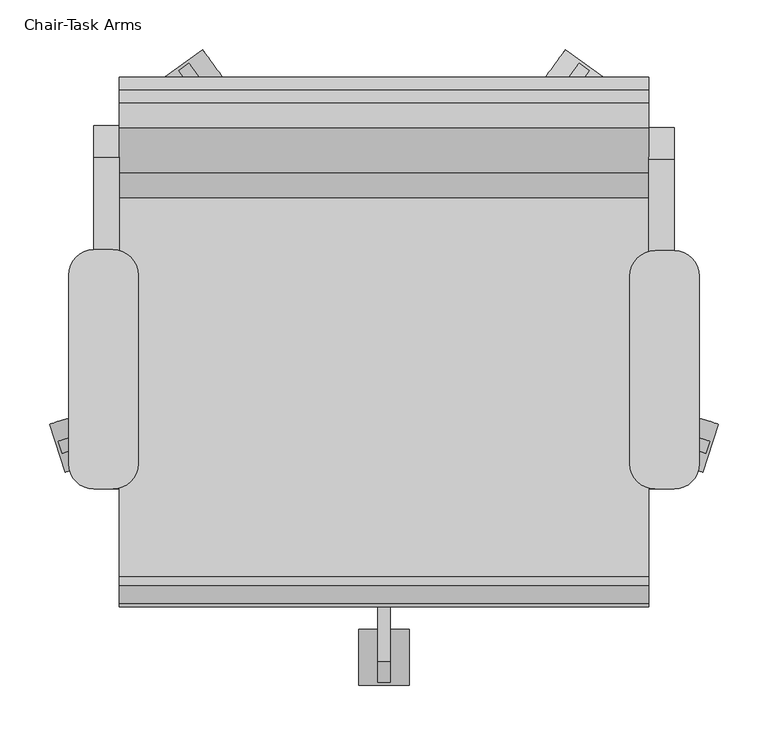
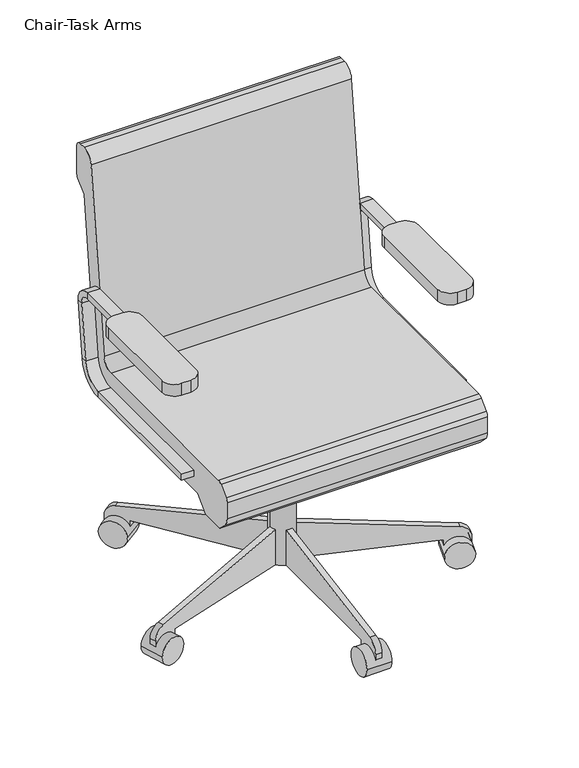
"""IFC4 building model written with IfcOpenShell, lengths in millimetres: furniture geometry, Chair-Task Arms."""

import ifcopenshell
import ifcopenshell.guid

model = None  # the IFC model being written
_history = None  # IfcOwnerHistory: only IFC2X3 demands one
_inside = {}  # id of a spatial element -> (the spatial element, [elements in it])
_under = {}  # id of a project, library or spatial element -> (it, [spatial elements below it])
_declared = {}  # id of a project -> (the project, [libraries it declares])
_typed = {}  # id of a type object -> (the type object, [elements of that type])
_made_of = {}  # id of a material, layer set ... -> (it, [elements and type objects made of it])


def new_model(schema):
    """Start an empty IFC model of exactly this schema.

    Asked for "IFC4X3", IfcOpenShell would pick the latest addendum, in which some entities
    have other attributes; the version numbers below select the first issue.
    IFC2X3 requires an IfcOwnerHistory on every rooted entity: one is made here for all.
    """
    global model, _history
    if schema == "IFC4X3":
        model = ifcopenshell.file(schema_version=(4, 3, 0, 0))
    else:
        model = ifcopenshell.file(schema=schema)
    _inside.clear()
    _under.clear()
    _declared.clear()
    _typed.clear()
    _made_of.clear()
    _history = None
    if model.schema == "IFC2X3":
        org = make("IfcOrganization", Name="unknown")
        user = make(
            "IfcPersonAndOrganization",
            ThePerson=make("IfcPerson", FamilyName="unknown"),
            TheOrganization=org,
        )
        app = make(
            "IfcApplication",
            ApplicationDeveloper=org,
            Version="unknown",
            ApplicationFullName="unknown",
            ApplicationIdentifier="unknown",
        )
        _history = make(
            "IfcOwnerHistory",
            OwningUser=user,
            OwningApplication=app,
            ChangeAction="ADDED",
            CreationDate=0,
        )
    return model


def make(cls, **values):
    """One entity of the class cls with the attributes given. An attribute that is None is left unset."""
    return model.create_entity(
        cls, **{name: value for name, value in values.items() if value is not None}
    )


def rooted(cls, **values):
    """An entity with a GlobalId (a new one), such as an element, a storey or a relation."""
    return make(cls, GlobalId=ifcopenshell.guid.new(), OwnerHistory=_history, **values)


def si_unit(unit_type, name, prefix=None):
    """IfcSIUnit, for example si_unit("LENGTHUNIT", "METRE", prefix="MILLI")."""
    return make("IfcSIUnit", UnitType=unit_type, Prefix=prefix, Name=name)


def assignment(units):
    """IfcUnitAssignment: the units of a project."""
    return None if units is None else make("IfcUnitAssignment", Units=units)


def point(xyz):
    """IfcCartesianPoint."""
    return None if xyz is None else make("IfcCartesianPoint", Coordinates=xyz)


def direction(xyz):
    """IfcDirection."""
    return None if xyz is None else make("IfcDirection", DirectionRatios=xyz)


def frame(location, z_axis=None, x_axis=None):
    """IfcAxis2Placement3D, a coordinate frame: its origin and axes. An axis left out is left unset."""
    return make(
        "IfcAxis2Placement3D",
        Location=point(location),
        Axis=direction(z_axis),
        RefDirection=direction(x_axis),
    )


def frame_2d(location, x_axis=None):
    """IfcAxis2Placement2D, a coordinate frame in the plane: its origin and x axis."""
    return make(
        "IfcAxis2Placement2D", Location=point(location), RefDirection=direction(x_axis)
    )


def origin():
    """The frame at (0, 0, 0) with its axes left unset."""
    return frame((0.0, 0.0, 0.0))


def place(relative_to, where):
    """IfcLocalPlacement: puts the frame where relative to a parent placement (None: the world)."""
    return make(
        "IfcLocalPlacement", PlacementRelTo=relative_to, RelativePlacement=where
    )


def context(
    kind, dimensions, precision=None, world=None, true_north=None, identifier=None
):
    """IfcGeometricRepresentationContext, for example the 3D "Model" context."""
    return make(
        "IfcGeometricRepresentationContext",
        ContextIdentifier=identifier,
        ContextType=kind,
        CoordinateSpaceDimension=dimensions,
        Precision=precision,
        WorldCoordinateSystem=world,
        TrueNorth=true_north,
    )


def project(units=None, contexts=None):
    """IfcProject with its units and contexts."""
    return rooted(
        "IfcProject",
        Name="project",
        RepresentationContexts=contexts,
        UnitsInContext=assignment(units),
    )


def spatial(cls, under=None, at=None, **own):
    """A site, building, storey or space (cls), placed at a placement, below another one or the project."""
    s = rooted(cls, ObjectPlacement=at, **own)
    if under is not None:
        _under.setdefault(under.id(), (under, []))[1].append(s)
    return s


def polyline(points):
    """IfcPolyline through the points."""
    return make("IfcPolyline", Points=[point(p) for p in points])


def circle_curve(where, radius):
    """IfcCircle in the frame where."""
    return make("IfcCircle", Position=where, Radius=radius)


def trimmed(basis, trim1, trim2, sense, master):
    """IfcTrimmedCurve: the piece of a basis curve between two trims."""
    return make(
        "IfcTrimmedCurve",
        BasisCurve=basis,
        Trim1=trim1,
        Trim2=trim2,
        SenseAgreement=sense,
        MasterRepresentation=master,
    )


def segment(curve, same_sense, transition):
    """IfcCompositeCurveSegment."""
    return make(
        "IfcCompositeCurveSegment",
        Transition=transition,
        SameSense=same_sense,
        ParentCurve=curve,
    )


def composite_curve(segments, self_intersect=None):
    """IfcCompositeCurve: segments joined end to end."""
    return make("IfcCompositeCurve", Segments=segments, SelfIntersect=self_intersect)


def outline(outer, holes=None, kind="AREA"):
    """IfcArbitraryClosedProfileDef: a profile drawn as a closed curve; with holes, ...WithVoids."""
    if holes is None:
        return make("IfcArbitraryClosedProfileDef", ProfileType=kind, OuterCurve=outer)
    return make(
        "IfcArbitraryProfileDefWithVoids",
        ProfileType=kind,
        OuterCurve=outer,
        InnerCurves=holes,
    )


def extrude(swept, where, along, depth):
    """IfcExtrudedAreaSolid: the profile swept, set in the frame where, extruded along a direction by depth."""
    return make(
        "IfcExtrudedAreaSolid",
        SweptArea=swept,
        Position=where,
        ExtrudedDirection=direction(along),
        Depth=depth,
    )


def shape(context_of_items, identifier, shape_type, items):
    """IfcShapeRepresentation: the items that make up one representation, for example the "Body"."""
    return make(
        "IfcShapeRepresentation",
        ContextOfItems=context_of_items,
        RepresentationIdentifier=identifier,
        RepresentationType=shape_type,
        Items=items,
    )


def source(mapping_origin, context_of_items, identifier, shape_type, items):
    """IfcRepresentationMap: a shape defined once, which mapped items show again and again."""
    return make(
        "IfcRepresentationMap",
        MappingOrigin=mapping_origin,
        MappedRepresentation=shape(context_of_items, identifier, shape_type, items),
    )


def transform(
    local_origin,
    x_axis=None,
    y_axis=None,
    z_axis=None,
    scale=None,
    scale2=None,
    scale3=None,
    uniform=True,
):
    """IfcCartesianTransformationOperator3D, or its non-uniform kind. x_axis, y_axis, z_axis: its Axis1, 2, 3."""
    if uniform:
        return make(
            "IfcCartesianTransformationOperator3D",
            Axis1=direction(x_axis),
            Axis2=direction(y_axis),
            LocalOrigin=point(local_origin),
            Scale=scale,
            Axis3=direction(z_axis),
        )
    return make(
        "IfcCartesianTransformationOperator3DnonUniform",
        Axis1=direction(x_axis),
        Axis2=direction(y_axis),
        LocalOrigin=point(local_origin),
        Scale=scale,
        Axis3=direction(z_axis),
        Scale2=scale2,
        Scale3=scale3,
    )


def mapped(mapping_source, mapping_target):
    """IfcMappedItem: shows the shape of a source again, moved by a transform."""
    return make(
        "IfcMappedItem", MappingSource=mapping_source, MappingTarget=mapping_target
    )


def made_of(thing, what):
    """Note that an element or type object is made of a material, layer set ...; save() writes the relation."""
    if what is not None:
        _made_of.setdefault(what.id(), (what, []))[1].append(thing)
    return thing


def element(
    cls,
    number,
    at=None,
    inside=None,
    cuts=None,
    type_object=None,
    material=None,
    context=None,
    identifier="Body",
    shape_type=None,
    held_by="IfcProductDefinitionShape",
    body=None,
    shapes=None,
    **own,
):
    """One element of the class cls, such as IfcWall. Its Tag is "e" and its number.

    at: its placement. inside: the storey or other place that contains it. cuts: it is an
    opening in that element (IfcRelVoidsElement). A single representation is given by context,
    identifier, shape_type and body (its items); several are given by shapes. held_by: the class
    of the entity that holds the representations. save() writes the other relations.
    """
    e = rooted(cls, Tag="e%d" % number, ObjectPlacement=at, **own)
    if body is not None:
        shapes = [shape(context, identifier, shape_type, body)]
    if shapes is not None:
        e.Representation = make(held_by, Representations=shapes)
    if inside is not None:
        _inside.setdefault(inside.id(), (inside, []))[1].append(e)
    if cuts is not None:
        rooted(
            "IfcRelVoidsElement", RelatingBuildingElement=cuts, RelatedOpeningElement=e
        )
    if type_object is not None:
        _typed.setdefault(type_object.id(), (type_object, []))[1].append(e)
    return made_of(e, material)


def aggregate(whole, parts):
    """IfcRelAggregates: a whole, such as a stair, and the parts it consists of."""
    return rooted("IfcRelAggregates", RelatingObject=whole, RelatedObjects=parts)


def save(model, path):
    """Write the relations noted so far, then the file.

    IfcRelAggregates (storeys below a building ...), IfcRelContainedInSpatialStructure (elements
    in a storey), IfcRelDefinesByType, IfcRelAssociatesMaterial and IfcRelDeclares: one each for
    every whole, place, type object, material and project.
    """
    for whole, parts in _under.values():
        aggregate(whole, parts)
    for where, things in _inside.values():
        rooted(
            "IfcRelContainedInSpatialStructure",
            RelatedElements=things,
            RelatingStructure=where,
        )
    for kind, things in _typed.values():
        rooted("IfcRelDefinesByType", RelatedObjects=things, RelatingType=kind)
    for what, things in _made_of.values():
        rooted("IfcRelAssociatesMaterial", RelatedObjects=things, RelatingMaterial=what)
    for by, libraries in _declared.values():
        rooted("IfcRelDeclares", RelatingContext=by, RelatedDefinitions=libraries)
    model.write(path)


def plane_surface(at):
    """IfcPlane: the flat surface through the origin of the frame at, square to its z axis."""
    return make("IfcPlane", Position=at)


def cylinder_surface(at, radius):
    """IfcCylindricalSurface: all points at the distance radius from the z axis of the frame at."""
    return make("IfcCylindricalSurface", Position=at, Radius=radius)


def revolved_surface(curve, axis_point, axis_direction):
    """IfcSurfaceOfRevolution: the curve turned about the line through axis_point along axis_direction."""
    return make(
        "IfcSurfaceOfRevolution",
        SweptCurve=make("IfcArbitraryOpenProfileDef", ProfileType="CURVE", Curve=curve),
        AxisPosition=make("IfcAxis1Placement", Location=point(axis_point), Axis=direction(axis_direction)),
    )


def advanced_brep(points, edges, surfaces, faces):
    """IfcAdvancedBrep: a solid bounded by faces that lie on surfaces and meet in shared edges.

    An edge is (start, end): straight between two places in points (the first is 0);
    or (start, end, curve); or (start, end, curve, False) where it runs against its curve.
    A face is (place in surfaces, loops), or (place, loops, False) where it looks against
    its surface's normal. A loop lists edges by number (the first is 1), with a minus sign
    where the edge is run from its end to its start. The first loop is the outer one.
    """
    corners = [point(p) for p in points]
    vertices = [make("IfcVertexPoint", VertexGeometry=c) for c in corners]
    made = []
    for start, end, *more in edges:
        made.append(
            make(
                "IfcEdgeCurve",
                EdgeStart=vertices[start],
                EdgeEnd=vertices[end],
                EdgeGeometry=more[0] if more else make("IfcPolyline", Points=[corners[start], corners[end]]),
                SameSense=more[1] if len(more) > 1 else True,
            )
        )
    hull = []
    for where, loops, *sense in faces:
        bounds = []
        for j, loop in enumerate(loops):
            ring = [make("IfcOrientedEdge", EdgeElement=made[abs(k) - 1], Orientation=k > 0) for k in loop]
            bounds.append(
                make(
                    "IfcFaceOuterBound" if j == 0 else "IfcFaceBound",
                    Bound=make("IfcEdgeLoop", EdgeList=ring),
                    Orientation=True,
                )
            )
        hull.append(make("IfcAdvancedFace", Bounds=bounds, FaceSurface=surfaces[where], SameSense=sense[0] if sense else True))
    return make("IfcAdvancedBrep", Outer=make("IfcClosedShell", CfsFaces=hull))


def chair_task_arms_7ff2a73e(model_context):
    return source(origin(), model_context, "Body", "SolidModel", [
        extrude(outline(composite_curve([segment(polyline([(-151.1091803, 112.0946081), (-132.0591803, 112.0946081)]), True, "CONTINUOUS"), segment(trimmed(circle_curve(frame_2d((-132.0591803, 86.6946081)), 25.4), [point((-132.0591803, 112.0946081))], [point((-106.6591803, 86.6946081))], False, "CARTESIAN"), True, "CONTINUOUS"), segment(polyline([(-106.6591803, 86.6946081), (-106.6591803, -103.7401058)]), True, "CONTINUOUS"), segment(trimmed(circle_curve(frame_2d((-132.0591803, -103.7401058)), 25.4), [point((-106.6591803, -103.7401058))], [point((-132.0591803, -129.1401058))], False, "CARTESIAN"), True, "CONTINUOUS"), segment(polyline([(-132.0591803, -129.1401058), (-151.1091803, -129.1401058)]), True, "CONTINUOUS"), segment(trimmed(circle_curve(frame_2d((-151.1091803, -103.7401058)), 25.4), [point((-151.1091803, -129.1401058))], [point((-176.5091803, -103.7401058))], False, "CARTESIAN"), True, "CONTINUOUS"), segment(polyline([(-176.5091803, -103.7401058), (-176.5091803, 86.6946081)]), True, "CONTINUOUS"), segment(trimmed(circle_curve(frame_2d((-151.1091803, 86.6946081)), 25.4), [point((-176.5091803, 86.6946081))], [point((-151.1091803, 112.0946081))], False, "CARTESIAN"), True, "CONTINUOUS")], self_intersect=False)), frame((0.0, 0.0, 596.9), z_axis=(0.0, 0.0, 1.0), x_axis=(1.0, 0.0, 0.0)), (0.0, 0.0, 1.0), 25.4),
        extrude(outline(composite_curve([segment(polyline([(414.0408197, 111.0494016), (433.0908197, 111.0494016)]), True, "CONTINUOUS"), segment(trimmed(circle_curve(frame_2d((433.0908197, 85.6494016)), 25.4), [point((433.0908197, 111.0494016))], [point((458.4908197, 85.6494016))], False, "CARTESIAN"), True, "CONTINUOUS"), segment(polyline([(458.4908197, 85.6494016), (458.4908197, -103.7401058)]), True, "CONTINUOUS"), segment(trimmed(circle_curve(frame_2d((433.0908197, -103.7401058)), 25.4), [point((458.4908197, -103.7401058))], [point((433.0908197, -129.1401058))], False, "CARTESIAN"), True, "CONTINUOUS"), segment(polyline([(433.0908197, -129.1401058), (414.0408197, -129.1401058)]), True, "CONTINUOUS"), segment(trimmed(circle_curve(frame_2d((414.0408197, -103.7401058)), 25.4), [point((414.0408197, -129.1401058))], [point((388.6408197, -103.7401058))], False, "CARTESIAN"), True, "CONTINUOUS"), segment(polyline([(388.6408197, -103.7401058), (388.6408197, 85.6494016)]), True, "CONTINUOUS"), segment(trimmed(circle_curve(frame_2d((414.0408197, 85.6494016)), 25.4), [point((388.6408197, 85.6494016))], [point((414.0408197, 111.0494016))], False, "CARTESIAN"), True, "CONTINUOUS")], self_intersect=False)), frame((0.0, 0.0, 596.9), z_axis=(0.0, 0.0, 1.0), x_axis=(1.0, 0.0, 0.0)), (0.0, 0.0, 1.0), 25.4),
        advanced_brep(
        [(433.0908197, -129.1401058, 412.75), (433.0908197, -129.1401058, 425.45), (407.6908197, -129.1401058, 425.45), (407.6908197, -129.1401058, 412.75), (433.0908197, 164.1306683, 412.75), (433.0908197, 164.1306683, 425.45), (407.6908197, 164.1306683, 425.45), (407.6908197, 164.1306683, 412.75), (433.0908197, 208.2762127, 464.7064065), (433.0908197, 220.8892254, 463.2225227), (407.6908197, 208.2762127, 464.7064065), (407.6908197, 220.8892254, 463.2225227), (433.0908197, 234.6854333, 580.4902904), (433.0908197, 222.0724207, 581.9741742), (407.6908197, 222.0724207, 581.9741742), (407.6908197, 234.6854333, 580.4902904), (433.0908197, 203.1529016, 603.25), (433.0908197, 203.1529016, 615.95), (407.6908197, 203.1529016, 603.25), (407.6908197, 203.1529016, 615.95), (433.0908197, 18.9459016, 615.95), (407.6908197, 18.9459016, 615.95), (407.6908197, 18.9459016, 603.25), (433.0908197, 18.9459016, 603.25)],
        [
            (0, 1),
            (1, 2),
            (2, 3),
            (3, 0),
            (0, 4),
            (4, 5),
            (5, 1),
            (5, 6),
            (6, 2),
            (6, 7),
            (7, 3),
            (7, 4),
            (8, 5, circle_curve(frame((433.0908197, 164.1306683, 469.9), z_axis=(-1.0, 0.0, 0.0), x_axis=(0.0, 0.0, -1.0)), 44.45)),
            (4, 9, circle_curve(frame((433.0908197, 164.1306683, 469.9), z_axis=(1.0, 0.0, 0.0), x_axis=(0.0, 0.0, -1.0)), 57.15)),
            (9, 8),
            (10, 6, circle_curve(frame((407.6908197, 164.1306683, 469.9), z_axis=(-1.0, 0.0, 0.0), x_axis=(0.0, 0.0, -1.0)), 44.45)),
            (8, 10),
            (11, 7, circle_curve(frame((407.6908197, 164.1306683, 469.9), z_axis=(-1.0, 0.0, 0.0), x_axis=(0.0, 0.0, -1.0)), 57.15)),
            (10, 11),
            (11, 9),
            (9, 12),
            (12, 13),
            (13, 8),
            (13, 14),
            (14, 10),
            (14, 15),
            (15, 11),
            (15, 12),
            (16, 13, circle_curve(frame((433.0908197, 203.1529016, 584.2), z_axis=(-1.0, 0.0, 0.0), x_axis=(0.0, 0.9931506043228768, -0.11684124756739202)), 19.05)),
            (12, 17, circle_curve(frame((433.0908197, 203.1529016, 584.2), z_axis=(1.0, 0.0, 0.0), x_axis=(0.0, 0.9931506043228768, -0.11684124756739202)), 31.75)),
            (17, 16),
            (18, 14, circle_curve(frame((407.6908197, 203.1529016, 584.2), z_axis=(-1.0, 0.0, 0.0), x_axis=(0.0, 0.9931506043228768, -0.11684124756739202)), 19.05)),
            (16, 18),
            (19, 15, circle_curve(frame((407.6908197, 203.1529016, 584.2), z_axis=(-1.0, 0.0, 0.0), x_axis=(0.0, 0.9931506043228768, -0.11684124756739202)), 31.75)),
            (18, 19),
            (19, 17),
            (20, 21),
            (21, 22),
            (22, 23),
            (23, 20),
            (17, 20),
            (23, 16),
            (22, 18),
            (21, 19),
        ],
        [
            plane_surface(frame((406.191788, -129.1401058, 419.1), z_axis=(0.0, -1.0, 0.0), x_axis=(0.0, 0.0, 1.0))),
            plane_surface(frame((433.0908197, -129.1401058, 412.75), z_axis=(1.0, 0.0, 0.0), x_axis=(0.0, 1.0, 0.0))),
            plane_surface(frame((433.0908197, -129.1401058, 425.45), z_axis=(0.0, 0.0, 1.0), x_axis=(0.0, 1.0, 0.0))),
            plane_surface(frame((407.6908197, -129.1401058, 425.45), z_axis=(-1.0, 0.0, 0.0), x_axis=(0.0, 1.0, 0.0))),
            plane_surface(frame((407.6908197, -129.1401058, 412.75), z_axis=(0.0, 0.0, -1.0), x_axis=(0.0, 1.0, 0.0))),
            plane_surface(frame((433.0908197, 164.1306683, 469.9), z_axis=(1.0, 0.0, 0.0), x_axis=(0.0, 0.0, -1.0))),
            revolved_surface(polyline([(433.0908197, 164.1306683, 425.45), (407.6908197, 164.1306683, 425.45)]), (420.3908197, 164.1306683, 469.9), (1.0, 0.0, 0.0)),
            plane_surface(frame((407.6908197, 164.1306683, 469.9), z_axis=(-1.0, 0.0, 0.0), x_axis=(0.0, 0.0, -1.0))),
            cylinder_surface(frame((420.3908197, 164.1306683, 469.9), z_axis=(1.0, 0.0, 0.0), x_axis=(0.0, 0.0, -1.0)), 57.15),
            plane_surface(frame((433.0908197, 220.8892254, 463.2225227), z_axis=(1.0, 0.0, 0.0), x_axis=(0.0, 0.1168412475673856, 0.9931506043228776))),
            plane_surface(frame((433.0908197, 208.2762127, 464.7064065), z_axis=(0.0, -0.9931506043228776, 0.1168412475673856), x_axis=(0.0, 0.1168412475673856, 0.9931506043228776))),
            plane_surface(frame((407.6908197, 208.2762127, 464.7064065), z_axis=(-1.0, 0.0, 0.0), x_axis=(0.0, 0.1168412475673856, 0.9931506043228776))),
            plane_surface(frame((407.6908197, 220.8892254, 463.2225227), z_axis=(0.0, 0.9931506043228776, -0.1168412475673856), x_axis=(0.0, 0.1168412475673856, 0.9931506043228776))),
            plane_surface(frame((433.0908197, 203.1529016, 584.2), z_axis=(1.0, 0.0, 0.0), x_axis=(0.0, 0.9931506043228768, -0.11684124756739202))),
            revolved_surface(polyline([(433.0908197, 222.0724206123508, 581.9741742338413), (407.6908197, 222.0724206123508, 581.9741742338413)]), (420.3908197, 203.1529016, 584.2), (1.0, 0.0, 0.0)),
            plane_surface(frame((407.6908197, 203.1529016, 584.2), z_axis=(-1.0, 0.0, 0.0), x_axis=(0.0, 0.9931506043228768, -0.11684124756739202))),
            cylinder_surface(frame((420.3908197, 203.1529016, 584.2), z_axis=(1.0, 0.0, 0.0), x_axis=(0.0, 0.9931506043228768, -0.11684124756739202)), 31.75),
            plane_surface(frame((406.191788, 18.9459016, 609.6), z_axis=(0.0, -1.0, 0.0), x_axis=(0.0, 0.0, -1.0))),
            plane_surface(frame((433.0908197, 203.1529016, 615.95), z_axis=(1.0, 0.0, 0.0), x_axis=(0.0, -1.0, 0.0))),
            plane_surface(frame((433.0908197, 203.1529016, 603.25), z_axis=(0.0, 0.0, -1.0), x_axis=(0.0, -1.0, 0.0))),
            plane_surface(frame((407.6908197, 203.1529016, 603.25), z_axis=(-1.0, 0.0, 0.0), x_axis=(0.0, -1.0, 0.0))),
            plane_surface(frame((407.6908197, 203.1529016, 615.95), z_axis=(0.0, 0.0, 1.0), x_axis=(0.0, -1.0, 0.0))),
        ],
        [
            (0, [[1, 2, 3, 4]]),
            (1, [[-1, 5, 6, 7]]),
            (2, [[-2, -7, 8, 9]]),
            (3, [[-3, -9, 10, 11]]),
            (4, [[-4, -11, 12, -5]]),
            (5, [[13, -6, 14, 15]]),
            (6, [[16, -8, -13, 17]]),
            (7, [[18, -10, -16, 19]]),
            (8, [[-14, -12, -18, 20]]),
            (9, [[-15, 21, 22, 23]]),
            (10, [[-17, -23, 24, 25]]),
            (11, [[-19, -25, 26, 27]]),
            (12, [[-20, -27, 28, -21]]),
            (13, [[29, -22, 30, 31]]),
            (14, [[32, -24, -29, 33]]),
            (15, [[34, -26, -32, 35]]),
            (16, [[-30, -28, -34, 36]]),
            (17, [[37, 38, 39, 40]]),
            (18, [[-31, 41, -40, 42]]),
            (19, [[-33, -42, -39, 43]]),
            (20, [[-35, -43, -38, 44]]),
            (21, [[-36, -44, -37, -41]]),
        ],
    ),
        advanced_brep(
        [(-151.1091803, -129.1401058, 425.45), (-151.1091803, -129.1401058, 412.75), (-125.7091803, -129.1401058, 412.75), (-125.7091803, -129.1401058, 425.45), (-151.1091803, 166.2210813, 425.45), (-151.1091803, 166.2210813, 412.75), (-125.7091803, 166.2210813, 412.75), (-125.7091803, 166.2210813, 425.45), (-151.1091803, 222.9796383, 463.2225227), (-151.1091803, 210.3666257, 464.7064065), (-125.7091803, 222.9796383, 463.2225227), (-125.7091803, 210.3666257, 464.7064065), (-151.1091803, 224.1628336, 581.9741742), (-151.1091803, 236.7758463, 580.4902904), (-125.7091803, 236.7758463, 580.4902904), (-125.7091803, 224.1628336, 581.9741742), (-151.1091803, 205.2433146, 615.95), (-151.1091803, 205.2433146, 603.25), (-125.7091803, 205.2433146, 615.95), (-125.7091803, 205.2433146, 603.25), (-151.1091803, 18.9459016, 603.25), (-125.7091803, 18.9459016, 603.25), (-125.7091803, 18.9459016, 615.95), (-151.1091803, 18.9459016, 615.95)],
        [
            (0, 1),
            (1, 2),
            (2, 3),
            (3, 0),
            (0, 4),
            (4, 5),
            (5, 1),
            (5, 6),
            (6, 2),
            (6, 7),
            (7, 3),
            (7, 4),
            (8, 5, circle_curve(frame((-151.1091803, 166.2210813, 469.9), z_axis=(-1.0, 0.0, 0.0), x_axis=(0.0, 0.0, -1.0)), 57.15)),
            (4, 9, circle_curve(frame((-151.1091803, 166.2210813, 469.9), z_axis=(1.0, 0.0, 0.0), x_axis=(0.0, 0.0, -1.0)), 44.45)),
            (9, 8),
            (10, 6, circle_curve(frame((-125.7091803, 166.2210813, 469.9), z_axis=(-1.0, 0.0, 0.0), x_axis=(0.0, 0.0, -1.0)), 57.15)),
            (8, 10),
            (11, 7, circle_curve(frame((-125.7091803, 166.2210813, 469.9), z_axis=(-1.0, 0.0, 0.0), x_axis=(0.0, 0.0, -1.0)), 44.45)),
            (10, 11),
            (11, 9),
            (9, 12),
            (12, 13),
            (13, 8),
            (13, 14),
            (14, 10),
            (14, 15),
            (15, 11),
            (15, 12),
            (16, 13, circle_curve(frame((-151.1091803, 205.2433146, 584.2), z_axis=(-1.0, 0.0, 0.0), x_axis=(0.0, 0.9931506043228767, -0.1168412475673929)), 31.75)),
            (12, 17, circle_curve(frame((-151.1091803, 205.2433146, 584.2), z_axis=(1.0, 0.0, 0.0), x_axis=(0.0, 0.9931506043228767, -0.1168412475673929)), 19.05)),
            (17, 16),
            (18, 14, circle_curve(frame((-125.7091803, 205.2433146, 584.2), z_axis=(-1.0, 0.0, 0.0), x_axis=(0.0, 0.9931506043228767, -0.1168412475673929)), 31.75)),
            (16, 18),
            (19, 15, circle_curve(frame((-125.7091803, 205.2433146, 584.2), z_axis=(-1.0, 0.0, 0.0), x_axis=(0.0, 0.9931506043228767, -0.1168412475673929)), 19.05)),
            (18, 19),
            (19, 17),
            (20, 21),
            (21, 22),
            (22, 23),
            (23, 20),
            (17, 20),
            (23, 16),
            (22, 18),
            (21, 19),
        ],
        [
            plane_surface(frame((-152.608212, -129.1401058, 419.1), z_axis=(0.0, -1.0, 0.0), x_axis=(0.0, 0.0, 1.0))),
            plane_surface(frame((-151.1091803, -129.1401058, 425.45), z_axis=(-1.0, 0.0, 0.0), x_axis=(0.0, 1.0, 0.0))),
            plane_surface(frame((-151.1091803, -129.1401058, 412.75), z_axis=(0.0, 0.0, -1.0), x_axis=(0.0, 1.0, 0.0))),
            plane_surface(frame((-125.7091803, -129.1401058, 412.75), z_axis=(1.0, 0.0, 0.0), x_axis=(0.0, 1.0, 0.0))),
            plane_surface(frame((-125.7091803, -129.1401058, 425.45), z_axis=(0.0, 0.0, 1.0), x_axis=(0.0, 1.0, 0.0))),
            plane_surface(frame((-151.1091803, 166.2210813, 469.9), z_axis=(-1.0, 0.0, 0.0), x_axis=(0.0, 0.0, -1.0))),
            cylinder_surface(frame((-138.4091803, 166.2210813, 469.9), z_axis=(1.0, 0.0, 0.0), x_axis=(0.0, 0.0, -1.0)), 57.15),
            plane_surface(frame((-125.7091803, 166.2210813, 469.9), z_axis=(1.0, 0.0, 0.0), x_axis=(0.0, 0.0, -1.0))),
            revolved_surface(polyline([(-125.7091803, 166.2210813, 425.45), (-151.1091803, 166.2210813, 425.45)]), (-138.4091803, 166.2210813, 469.9), (1.0, 0.0, 0.0)),
            plane_surface(frame((-151.1091803, 210.3666257, 464.7064065), z_axis=(-1.0, 0.0, 0.0), x_axis=(0.0, 0.11684124756738626, 0.9931506043228775))),
            plane_surface(frame((-151.1091803, 222.9796383, 463.2225227), z_axis=(0.0, 0.9931506043228775, -0.11684124756738626), x_axis=(0.0, 0.11684124756738626, 0.9931506043228775))),
            plane_surface(frame((-125.7091803, 222.9796383, 463.2225227), z_axis=(1.0, 0.0, 0.0), x_axis=(0.0, 0.11684124756738626, 0.9931506043228775))),
            plane_surface(frame((-125.7091803, 210.3666257, 464.7064065), z_axis=(0.0, -0.9931506043228775, 0.11684124756738626), x_axis=(0.0, 0.11684124756738626, 0.9931506043228775))),
            plane_surface(frame((-151.1091803, 205.2433146, 584.2), z_axis=(-1.0, 0.0, 0.0), x_axis=(0.0, 0.9931506043228767, -0.1168412475673929))),
            cylinder_surface(frame((-138.4091803, 205.2433146, 584.2), z_axis=(1.0, 0.0, 0.0), x_axis=(0.0, 0.9931506043228767, -0.1168412475673929)), 31.75),
            plane_surface(frame((-125.7091803, 205.2433146, 584.2), z_axis=(1.0, 0.0, 0.0), x_axis=(0.0, 0.9931506043228767, -0.1168412475673929))),
            revolved_surface(polyline([(-125.7091803, 224.1628336123508, 581.9741742338412), (-151.1091803, 224.1628336123508, 581.9741742338412)]), (-138.4091803, 205.2433146, 584.2), (1.0, 0.0, 0.0)),
            plane_surface(frame((-152.608212, 18.9459016, 609.6), z_axis=(0.0, -1.0, 0.0), x_axis=(0.0, 0.0, -1.0))),
            plane_surface(frame((-151.1091803, 205.2433146, 603.25), z_axis=(-1.0, 0.0, 0.0), x_axis=(0.0, -1.0, 0.0))),
            plane_surface(frame((-151.1091803, 205.2433146, 615.95), z_axis=(0.0, 0.0, 1.0), x_axis=(0.0, -1.0, 0.0))),
            plane_surface(frame((-125.7091803, 205.2433146, 615.95), z_axis=(1.0, 0.0, 0.0), x_axis=(0.0, -1.0, 0.0))),
            plane_surface(frame((-125.7091803, 205.2433146, 603.25), z_axis=(0.0, 0.0, -1.0), x_axis=(0.0, -1.0, 0.0))),
        ],
        [
            (0, [[1, 2, 3, 4]]),
            (1, [[-1, 5, 6, 7]]),
            (2, [[-2, -7, 8, 9]]),
            (3, [[-3, -9, 10, 11]]),
            (4, [[-4, -11, 12, -5]]),
            (5, [[13, -6, 14, 15]]),
            (6, [[16, -8, -13, 17]]),
            (7, [[18, -10, -16, 19]]),
            (8, [[-14, -12, -18, 20]]),
            (9, [[-15, 21, 22, 23]]),
            (10, [[-17, -23, 24, 25]]),
            (11, [[-19, -25, 26, 27]]),
            (12, [[-20, -27, 28, -21]]),
            (13, [[29, -22, 30, 31]]),
            (14, [[32, -24, -29, 33]]),
            (15, [[34, -26, -32, 35]]),
            (16, [[-30, -28, -34, 36]]),
            (17, [[37, 38, 39, 40]]),
            (18, [[-31, 41, -40, 42]]),
            (19, [[-33, -42, -39, 43]]),
            (20, [[-35, -43, -38, 44]]),
            (21, [[-36, -44, -37, -41]]),
        ],
    ),
        extrude(outline(composite_curve([segment(trimmed(circle_curve(frame_2d((140.9908197, 18.9459016)), 25.4), [point((166.3908197, 18.9459016))], [point((115.5908197, 18.9459016))], False, "CARTESIAN"), True, "CONTINUOUS"), segment(trimmed(circle_curve(frame_2d((140.9908197, 18.9459016)), 25.4), [point((115.5908197, 18.9459016))], [point((166.3908197, 18.9459016))], False, "CARTESIAN"), True, "CONTINUOUS")], self_intersect=False)), frame((0.0, 0.0, 53.5835944), z_axis=(0.0, 0.0, 1.0), x_axis=(1.0, 0.0, 0.0)), (0.0, 0.0, 1.0), 330.5914056),
        extrude(outline(composite_curve([segment(trimmed(circle_curve(frame_2d((0.0, -28.2002727)), 28.2002727), [point((0.0, -56.4005454))], [point((0.0, 0.0))], False, "CARTESIAN"), True, "CONTINUOUS"), segment(trimmed(circle_curve(frame_2d((0.0, -28.2002727)), 28.2002727), [point((0.0, 0.0))], [point((0.0, -56.4005454))], False, "CARTESIAN"), True, "CONTINUOUS")], self_intersect=False)), frame((-179.9406457, -112.0381931, 28.1835944), z_axis=(-0.3090169943749372, 0.951056516295157, 0.0), x_axis=(0.0, 0.0, -1.0)), (0.0, 0.0, 1.0), 50.8),
        extrude(outline(composite_curve([segment(polyline([(25.4, 0.0), (25.4, 292.1), (101.6, 292.1), (101.6, 266.7), (49.3171699, -29.8106637)]), True, "CONTINUOUS"), segment(trimmed(circle_curve(frame_2d((24.303053, -25.4)), 25.4), [point((49.3171699, -29.8106637))], [point((24.303053, -50.8000001))], False, "CARTESIAN"), True, "CONTINUOUS"), segment(polyline([(24.303053, -50.8000001), (0.0, -50.8000001), (0.0, 0.0), (25.4, 0.0)]), True, "CONTINUOUS")], self_intersect=False)), frame((-134.8505308, -77.3571713, 28.1835944), z_axis=(-0.3090169943749371, 0.951056516295157, 0.0), x_axis=(0.0, 0.0, 1.0)), (0.0, 0.0, 1.0), 12.7),
        extrude(outline(composite_curve([segment(trimmed(circle_curve(frame_2d((0.0, -28.2002727)), 28.2002727), [point((0.0, -56.4005454))], [point((0.0, 0.0))], False, "CARTESIAN"), True, "CONTINUOUS"), segment(trimmed(circle_curve(frame_2d((0.0, -28.2002727)), 28.2002727), [point((0.0, 0.0))], [point((0.0, -56.4005454))], False, "CARTESIAN"), True, "CONTINUOUS")], self_intersect=False)), frame((-82.755734, 283.6935518, 28.1835944), z_axis=(0.8090169943749531, 0.5877852522924655, 0.0), x_axis=(0.0, 0.0, -1.0)), (0.0, 0.0, 1.0), 50.8),
        extrude(outline(composite_curve([segment(polyline([(25.4, 0.0), (25.4, 292.1), (101.6, 292.1), (101.6, 266.6999999), (49.3171699, -29.8106638)]), True, "CONTINUOUS"), segment(trimmed(circle_curve(frame_2d((24.303053, -25.4)), 25.4), [point((49.3171699, -29.8106638))], [point((24.303053, -50.8000001))], False, "CARTESIAN"), True, "CONTINUOUS"), segment(polyline([(24.303053, -50.8000001), (0.0, -50.8000001), (0.0, 0.0), (25.4, 0.0)]), True, "CONTINUOUS")], self_intersect=False)), frame((-35.8385104, 251.5273293, 28.1835944), z_axis=(0.8090169943749531, 0.5877852522924655, 0.0), x_axis=(0.0, 0.0, 1.0)), (0.0, 0.0, 1.0), 12.7),
        extrude(outline(composite_curve([segment(trimmed(circle_curve(frame_2d((0.0, -28.2002727)), 28.2002727), [point((0.0, -56.4005454))], [point((0.0, 0.0))], False, "CARTESIAN"), True, "CONTINUOUS"), segment(trimmed(circle_curve(frame_2d((0.0, -28.2002727)), 28.2002727), [point((0.0, 0.0))], [point((0.0, -56.4005454))], False, "CARTESIAN"), True, "CONTINUOUS")], self_intersect=False)), frame((364.7373733, 283.6935518, 28.1835944), z_axis=(-0.8090169943749427, 0.5877852522924798, 0.0), x_axis=(0.0, 0.0, 1.0)), (0.0, 0.0, 1.0), 50.8),
        extrude(outline(composite_curve([segment(polyline([(-25.4, 0.0), (0.0, 0.0), (0.0, -50.8000001), (-24.303053, -50.8000001)]), True, "CONTINUOUS"), segment(trimmed(circle_curve(frame_2d((-24.303053, -25.4)), 25.4), [point((-24.303053, -50.8000001))], [point((-49.3171699, -29.8106638))], False, "CARTESIAN"), True, "CONTINUOUS"), segment(polyline([(-49.3171699, -29.8106638), (-101.6, 266.7), (-101.6, 292.1), (-25.4, 292.1), (-25.4, 0.0)]), True, "CONTINUOUS")], self_intersect=False)), frame((317.8201498, 251.5273293, 28.1835944), z_axis=(-0.8090169943749427, 0.5877852522924798, 0.0), x_axis=(0.0, 0.0, -1.0)), (0.0, 0.0, 1.0), 12.7),
        extrude(outline(composite_curve([segment(trimmed(circle_curve(frame_2d((0.0, -28.2002728)), 28.2002727), [point((0.0, -56.4005455))], [point((0.0, 0.0))], False, "CARTESIAN"), True, "CONTINUOUS"), segment(trimmed(circle_curve(frame_2d((0.0, -28.2002728)), 28.2002727), [point((0.0, 0.0))], [point((0.0, -56.4005455))], False, "CARTESIAN"), True, "CONTINUOUS")], self_intersect=False)), frame((461.9222851, -112.0381931, 28.1835944), z_axis=(0.30901699437495384, 0.9510565162951515, 0.0), x_axis=(0.0, 0.0, 1.0)), (0.0, 0.0, 1.0), 50.8),
        extrude(outline(composite_curve([segment(polyline([(-25.4, 0.0), (0.0, 0.0), (0.0, -50.8), (-24.303053, -50.8)]), True, "CONTINUOUS"), segment(trimmed(circle_curve(frame_2d((-24.303053, -25.4)), 25.4), [point((-24.303053, -50.8))], [point((-49.3171699, -29.8106636))], False, "CARTESIAN"), True, "CONTINUOUS"), segment(polyline([(-49.3171699, -29.8106636), (-101.6, 266.7), (-101.6, 292.1), (-25.4, 292.1), (-25.4, 0.0)]), True, "CONTINUOUS")], self_intersect=False)), frame((416.8321702, -77.3571713, 28.1835944), z_axis=(0.30901699437495384, 0.9510565162951515, 0.0), x_axis=(0.0, 0.0, -1.0)), (0.0, 0.0, 1.0), 12.7),
        extrude(outline(composite_curve([segment(trimmed(circle_curve(frame_2d((-298.5540984, 28.1835944)), 28.2002727), [point((-270.3538256, 28.1835944))], [point((-326.7543711, 28.1835944))], False, "CARTESIAN"), True, "CONTINUOUS"), segment(trimmed(circle_curve(frame_2d((-298.5540984, 28.1835944)), 28.2002727), [point((-326.7543711, 28.1835944))], [point((-270.3538256, 28.1835944))], False, "CARTESIAN"), True, "CONTINUOUS")], self_intersect=False)), frame((115.5908197, 0.0, 0.0), z_axis=(1.0, 0.0, 0.0), x_axis=(0.0, 1.0, 0.0)), (0.0, 0.0, 1.0), 50.8),
        extrude(outline(composite_curve([segment(polyline([(-273.1540984, 53.5835944), (-273.1540984, 28.1835944), (-323.9540984, 28.1835944), (-323.9540984, 52.4866474)]), True, "CONTINUOUS"), segment(trimmed(circle_curve(frame_2d((-298.5540984, 52.4866474)), 25.4), [point((-323.9540984, 52.4866474))], [point((-302.9647621, 77.5007643))], False, "CARTESIAN"), True, "CONTINUOUS"), segment(polyline([(-302.9647621, 77.5007643), (-6.4540984, 129.7835944), (18.9459016, 129.7835944), (18.9459016, 53.5835944), (-273.1540984, 53.5835944)]), True, "CONTINUOUS")], self_intersect=False)), frame((134.6408197, 0.0, 0.0), z_axis=(1.0, 0.0, 0.0), x_axis=(0.0, 1.0, 0.0)), (0.0, 0.0, 1.0), 12.7),
        extrude(outline(polyline([(-31.8540984, 383.7835944), (57.0459016, 383.7835944), (57.0459016, 283.0954134), (18.9459016, 283.0954134), (-31.8540984, 371.0835944), (-31.8540984, 383.7835944)])), frame((90.1908197, 0.0, 0.0), z_axis=(1.0, 0.0, 0.0), x_axis=(0.0, 1.0, 0.0)), (0.0, 0.0, 1.0), 101.6),
        extrude(outline(composite_curve([segment(trimmed(circle_curve(frame_2d((164.0968488, 482.6)), 25.4), [point((164.0968488, 457.2))], [point((189.3228741, 479.6322323))], True, "CARTESIAN"), True, "CONTINUOUS"), segment(polyline([(189.3228741, 479.6322323), (234.8447018, 866.5677677)]), True, "CONTINUOUS"), segment(trimmed(circle_curve(frame_2d((260.0707271, 863.6)), 25.4), [point((234.8447018, 866.5677677))], [point((260.0707271, 889.0))], False, "CARTESIAN"), True, "CONTINUOUS"), segment(polyline([(260.0707271, 889.0), (272.9459016, 889.0)]), True, "CONTINUOUS"), segment(trimmed(circle_curve(frame_2d((272.9459016, 876.3)), 12.7), [point((272.9459016, 889.0))], [point((285.6459016, 876.3))], False, "CARTESIAN"), True, "CONTINUOUS"), segment(polyline([(285.6459016, 876.3), (285.6459016, 818.0605122)]), True, "CONTINUOUS"), segment(trimmed(circle_curve(frame_2d((272.9459016, 818.0605122)), 12.7), [point((285.6459016, 818.0605122))], [point((281.9261578, 809.0802561))], False, "CARTESIAN"), True, "CONTINUOUS"), segment(polyline([(281.9261578, 809.0802561), (260.2459016, 787.4), (220.6788771, 451.0802913)]), True, "CONTINUOUS"), segment(trimmed(circle_curve(frame_2d((145.000801, 459.9835944)), 76.2), [point((220.6788771, 451.0802913))], [point((145.000801, 383.7835944))], False, "CARTESIAN"), True, "CONTINUOUS"), segment(polyline([(145.000801, 383.7835944), (-143.1826569, 383.7835944), (-171.5552251, 355.6), (-222.3552251, 355.6), (-240.3745223, 373.7401184)]), True, "CONTINUOUS"), segment(trimmed(circle_curve(frame_2d((-222.3540984, 391.6405184)), 25.4), [point((-240.3745223, 373.7401184))], [point((-247.7540984, 391.6405184))], False, "CARTESIAN"), True, "CONTINUOUS"), segment(polyline([(-247.7540984, 391.6405184), (-247.7540984, 426.6837879)]), True, "CONTINUOUS"), segment(trimmed(circle_curve(frame_2d((-235.0540984, 426.6837879)), 12.7), [point((-247.7540984, 426.6837879))], [point((-244.0042984, 435.6939999))], False, "CARTESIAN"), True, "CONTINUOUS"), segment(polyline([(-244.0042984, 435.6939999), (-226.0686268, 453.510212)]), True, "CONTINUOUS"), segment(trimmed(circle_curve(frame_2d((-217.1184268, 444.5)), 12.7), [point((-226.0686268, 453.510212))], [point((-217.1184268, 457.2))], False, "CARTESIAN"), True, "CONTINUOUS"), segment(polyline([(-217.1184268, 457.2), (164.0968488, 457.2)]), True, "CONTINUOUS")], self_intersect=False)), frame((-125.7091803, 0.0, 0.0), z_axis=(1.0, 0.0, 0.0), x_axis=(0.0, 1.0, 0.0)), (0.0, 0.0, 1.0), 533.4),
    ])


if __name__ == "__main__":
    model = new_model("IFC4")
    model_context = context("Model", 3, world=origin())
    ifc_project = project(units=[si_unit("LENGTHUNIT", "METRE", prefix="MILLI")], contexts=[model_context])
    site = spatial("IfcSite", under=ifc_project)
    building = spatial("IfcBuilding", under=site)
    placement = place(None, origin())
    chair_task_arms_shape = chair_task_arms_7ff2a73e(model_context)
    element("IfcFurniture", 1, ObjectType="Chair-Task Arms", at=placement, inside=building, context=model_context, shape_type="MappedRepresentation", body=[
        mapped(chair_task_arms_shape, transform((0.0, 0.0, 0.0), x_axis=(1.0, 0.0, 0.0), y_axis=(0.0, 1.0, 0.0), z_axis=(0.0, 0.0, 1.0))),
    ])
    save(model, "model.ifc")
